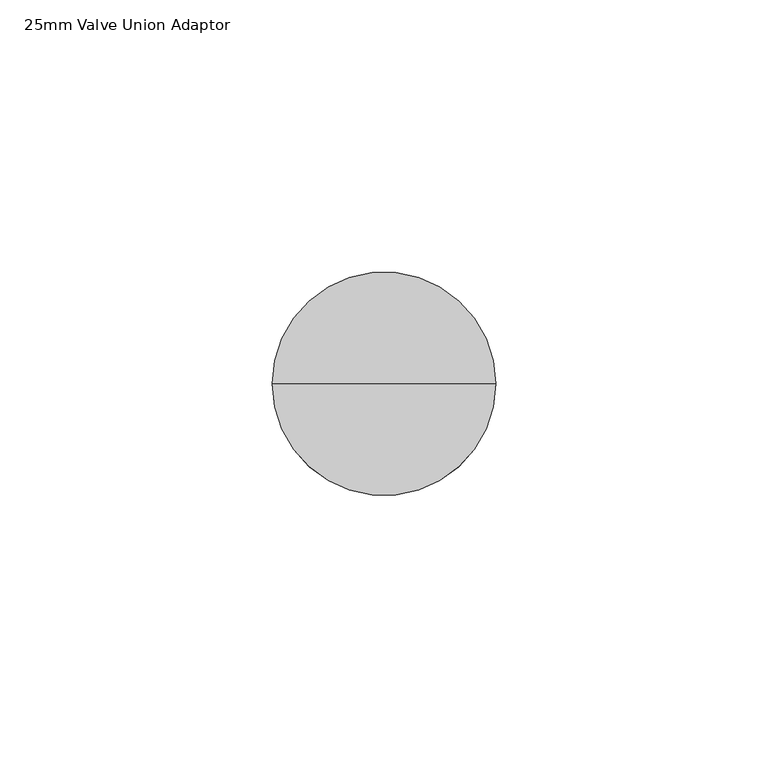
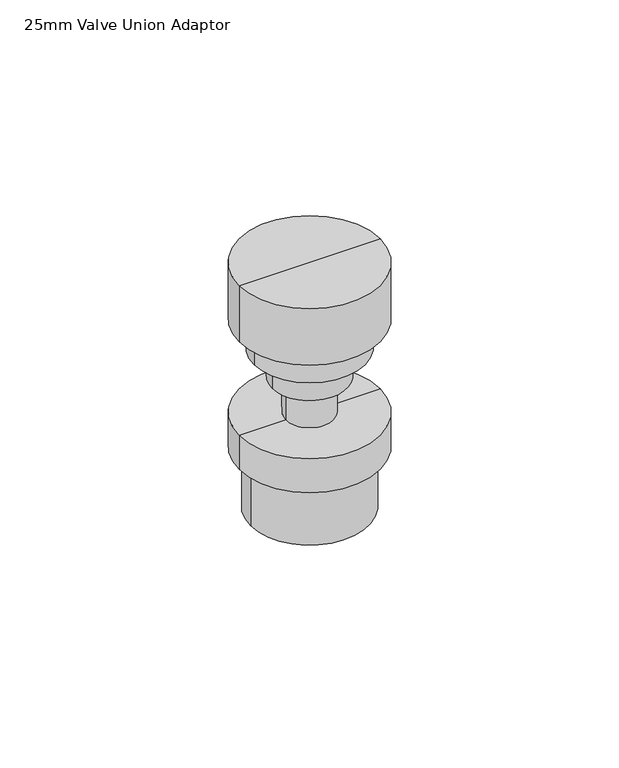
"""IFC4 building model written with IfcOpenShell, lengths in millimetres: proxy geometry, 25mm Valve Union Adaptor."""

from ifc_helpers import new_model, si_unit, frame, origin, place, context, project, spatial, circle_curve, source, transform, mapped, element, save
from ifc_brep_helpers import plane_surface, cylinder_surface, advanced_brep


def proxy_25mm_valve_union_adaptor_399bac51(model_context):
    return source(origin(), model_context, "Body", "AdvancedBrep", [
        advanced_brep(
        [(0.0, 0.0, 0.0), (-17.1836172, 0.0, 0.0), (17.1836172, 0.0, 0.0), (20.5, 0.0, 75.0), (-20.5, 0.0, 75.0), (0.0, 0.0, 75.0), (20.5, 0.0, 57.6351609), (-20.5, 0.0, 57.6351609), (16.1293538, 0.0, 57.6351609), (-16.1293538, 0.0, 57.6351609), (16.1293538, 0.0, 49.1447837), (-16.1293538, 0.0, 49.1447837), (10.8869791, 0.0, 49.1447837), (-10.8869791, 0.0, 49.1447837), (10.8869791, 0.0, 40.0222488), (-10.8869791, 0.0, 40.0222488), (20.5, 0.0, 28.9222488), (-20.5, 0.0, 28.9222488), (-6.9862639, 0.0, 28.9222488), (6.9862639, 0.0, 28.9222488), (20.5, 0.0, 18.4250551), (-20.5, 0.0, 18.4250551), (17.1836172, 0.0, 18.4250551), (-17.1836172, 0.0, 18.4250551), (6.9862639, 0.0, 40.0222488), (-6.9862639, 0.0, 40.0222488)],
        [
            (0, 1),
            (1, 2, circle_curve(frame((0.0, 0.0, 0.0), z_axis=(0.0, 0.0, -1.0), x_axis=(-1.0, 0.0, 0.0)), 17.1836172)),
            (2, 0),
            (2, 1, circle_curve(frame((0.0, 0.0, 0.0), z_axis=(0.0, 0.0, -1.0), x_axis=(-1.0, 0.0, 0.0)), 17.1836172)),
            (3, 4, circle_curve(frame((0.0, 0.0, 75.0), z_axis=(0.0, 0.0, 1.0), x_axis=(-1.0, 0.0, 0.0)), 20.5)),
            (4, 5),
            (5, 3),
            (4, 3, circle_curve(frame((0.0, 0.0, 75.0), z_axis=(0.0, 0.0, 1.0), x_axis=(-1.0, 0.0, 0.0)), 20.5)),
            (6, 7, circle_curve(frame((0.0, 0.0, 57.6351609), z_axis=(0.0, 0.0, 1.0), x_axis=(-1.0, 0.0, 0.0)), 20.5)),
            (7, 4),
            (3, 6),
            (7, 6, circle_curve(frame((0.0, 0.0, 57.6351609), z_axis=(0.0, 0.0, 1.0), x_axis=(-1.0, 0.0, 0.0)), 20.5)),
            (8, 9, circle_curve(frame((0.0, 0.0, 57.6351609), z_axis=(0.0, 0.0, 1.0), x_axis=(-1.0, 0.0, 0.0)), 16.1293538)),
            (9, 7),
            (6, 8),
            (9, 8, circle_curve(frame((0.0, 0.0, 57.6351609), z_axis=(0.0, 0.0, 1.0), x_axis=(-1.0, 0.0, 0.0)), 16.1293538)),
            (10, 11, circle_curve(frame((0.0, 0.0, 49.1447837), z_axis=(0.0, 0.0, 1.0), x_axis=(-1.0, 0.0, 0.0)), 16.1293538)),
            (11, 9),
            (8, 10),
            (11, 10, circle_curve(frame((0.0, 0.0, 49.1447837), z_axis=(0.0, 0.0, 1.0), x_axis=(-1.0, 0.0, 0.0)), 16.1293538)),
            (12, 13, circle_curve(frame((0.0, 0.0, 49.1447837), z_axis=(0.0, 0.0, 1.0), x_axis=(-1.0, 0.0, 0.0)), 10.8869791)),
            (13, 11),
            (10, 12),
            (13, 12, circle_curve(frame((0.0, 0.0, 49.1447837), z_axis=(0.0, 0.0, 1.0), x_axis=(-1.0, 0.0, 0.0)), 10.8869791)),
            (14, 15, circle_curve(frame((0.0, 0.0, 40.0222488), z_axis=(0.0, 0.0, 1.0), x_axis=(-1.0, 0.0, 0.0)), 10.8869791)),
            (15, 13),
            (12, 14),
            (15, 14, circle_curve(frame((0.0, 0.0, 40.0222488), z_axis=(0.0, 0.0, 1.0), x_axis=(-1.0, 0.0, 0.0)), 10.8869791)),
            (16, 17, circle_curve(frame((0.0, 0.0, 28.9222488), z_axis=(0.0, 0.0, 1.0), x_axis=(-1.0, 0.0, 0.0)), 20.5)),
            (17, 18),
            (18, 19, circle_curve(frame((0.0, 0.0, 28.9222488), z_axis=(0.0, 0.0, -1.0), x_axis=(-1.0, 0.0, 0.0)), 6.9862639)),
            (19, 16),
            (17, 16, circle_curve(frame((0.0, 0.0, 28.9222488), z_axis=(0.0, 0.0, 1.0), x_axis=(-1.0, 0.0, 0.0)), 20.5)),
            (19, 18, circle_curve(frame((0.0, 0.0, 28.9222488), z_axis=(0.0, 0.0, -1.0), x_axis=(-1.0, 0.0, 0.0)), 6.9862639)),
            (20, 21, circle_curve(frame((0.0, 0.0, 18.4250551), z_axis=(0.0, 0.0, 1.0), x_axis=(-1.0, 0.0, 0.0)), 20.5)),
            (21, 17),
            (16, 20),
            (21, 20, circle_curve(frame((0.0, 0.0, 18.4250551), z_axis=(0.0, 0.0, 1.0), x_axis=(-1.0, 0.0, 0.0)), 20.5)),
            (22, 23, circle_curve(frame((0.0, 0.0, 18.4250551), z_axis=(0.0, 0.0, 1.0), x_axis=(-1.0, 0.0, 0.0)), 17.1836172)),
            (23, 21),
            (20, 22),
            (23, 22, circle_curve(frame((0.0, 0.0, 18.4250551), z_axis=(0.0, 0.0, 1.0), x_axis=(-1.0, 0.0, 0.0)), 17.1836172)),
            (1, 23),
            (22, 2),
            (24, 25, circle_curve(frame((0.0, 0.0, 40.0222488), z_axis=(0.0, 0.0, 1.0), x_axis=(-1.0, 0.0, 0.0)), 6.9862639)),
            (25, 15),
            (14, 24),
            (25, 24, circle_curve(frame((0.0, 0.0, 40.0222488), z_axis=(0.0, 0.0, 1.0), x_axis=(-1.0, 0.0, 0.0)), 6.9862639)),
            (18, 25),
            (24, 19),
        ],
        [
            plane_surface(frame((0.0, 0.0, 0.0), z_axis=(0.0, 0.0, -1.0), x_axis=(-1.0, 0.0, 0.0))),
            plane_surface(frame((0.0, 0.0, 75.0), z_axis=(0.0, 0.0, 1.0), x_axis=(-1.0, 0.0, 0.0))),
            cylinder_surface(frame((0.0, 0.0, 42.4395104), z_axis=(0.0, 0.0, -1.0), x_axis=(-1.0, 0.0, 0.0)), 20.5),
            plane_surface(frame((0.0, 0.0, 57.6351609), z_axis=(0.0, 0.0, -1.0), x_axis=(-1.0, 0.0, 0.0))),
            cylinder_surface(frame((0.0, 0.0, 42.4395104), z_axis=(0.0, 0.0, -1.0), x_axis=(-1.0, 0.0, 0.0)), 16.1293538),
            plane_surface(frame((0.0, 0.0, 49.1447837), z_axis=(0.0, 0.0, -1.0), x_axis=(-1.0, 0.0, 0.0))),
            cylinder_surface(frame((0.0, 0.0, 42.4395104), z_axis=(0.0, 0.0, -1.0), x_axis=(-1.0, 0.0, 0.0)), 10.8869791),
            plane_surface(frame((0.0, 0.0, 28.9222488), z_axis=(0.0, 0.0, 1.0), x_axis=(-1.0, 0.0, 0.0))),
            plane_surface(frame((0.0, 0.0, 18.4250551), z_axis=(0.0, 0.0, -1.0), x_axis=(-1.0, 0.0, 0.0))),
            cylinder_surface(frame((0.0, 0.0, 42.4395104), z_axis=(0.0, 0.0, -1.0), x_axis=(-1.0, 0.0, 0.0)), 17.1836172),
            plane_surface(frame((0.0, 0.0, 40.0222488), z_axis=(0.0, 0.0, -1.0), x_axis=(-1.0, 0.0, 0.0))),
            cylinder_surface(frame((0.0, 0.0, 42.4395104), z_axis=(0.0, 0.0, -1.0), x_axis=(-1.0, 0.0, 0.0)), 6.9862639),
        ],
        [
            (0, [[1, 2, 3]]),
            (0, [[-3, 4, -1]]),
            (1, [[5, 6, 7]]),
            (1, [[8, -7, -6]]),
            (2, [[9, 10, -5, 11]]),
            (2, [[12, -11, -8, -10]]),
            (3, [[13, 14, -9, 15]]),
            (3, [[16, -15, -12, -14]]),
            (4, [[17, 18, -13, 19]]),
            (4, [[20, -19, -16, -18]]),
            (5, [[21, 22, -17, 23]]),
            (5, [[24, -23, -20, -22]]),
            (6, [[25, 26, -21, 27]]),
            (6, [[28, -27, -24, -26]]),
            (7, [[29, 30, 31, 32]]),
            (7, [[33, -32, 34, -30]]),
            (2, [[35, 36, -29, 37]]),
            (2, [[38, -37, -33, -36]]),
            (8, [[39, 40, -35, 41]]),
            (8, [[42, -41, -38, -40]]),
            (9, [[-2, 43, -39, 44]]),
            (9, [[-4, -44, -42, -43]]),
            (10, [[45, 46, -25, 47]]),
            (10, [[48, -47, -28, -46]]),
            (11, [[-31, 49, -45, 50]]),
            (11, [[-34, -50, -48, -49]]),
        ],
    ),
    ])


if __name__ == "__main__":
    model = new_model("IFC4")
    model_context = context("Model", 3, world=origin())
    ifc_project = project(units=[si_unit("LENGTHUNIT", "METRE", prefix="MILLI")], contexts=[model_context])
    site = spatial("IfcSite", under=ifc_project)
    building = spatial("IfcBuilding", under=site)
    placement = place(None, origin())
    proxy_25mm_valve_union_adaptor_shape = proxy_25mm_valve_union_adaptor_399bac51(model_context)
    element("IfcBuildingElementProxy", 1, Name="25mm Valve Union Adaptor", ObjectType="25mm Valve Union Adaptor", at=placement, inside=building, context=model_context, shape_type="MappedRepresentation", body=[
        mapped(proxy_25mm_valve_union_adaptor_shape, transform((0.0, 0.0, 0.0), x_axis=(1.0, 0.0, 0.0), y_axis=(0.0, 1.0, 0.0), z_axis=(0.0, 0.0, 1.0))),
    ])
    save(model, "model.ifc")
